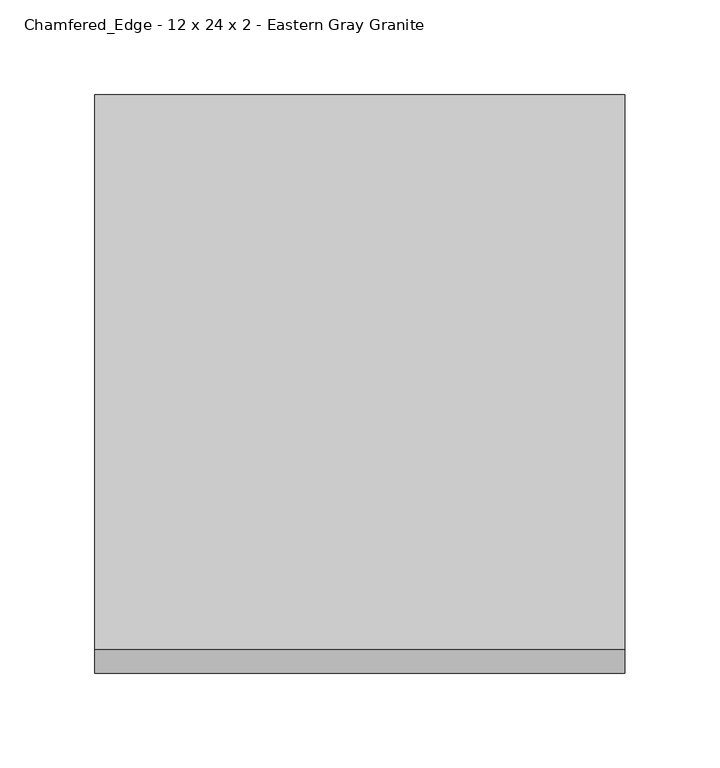
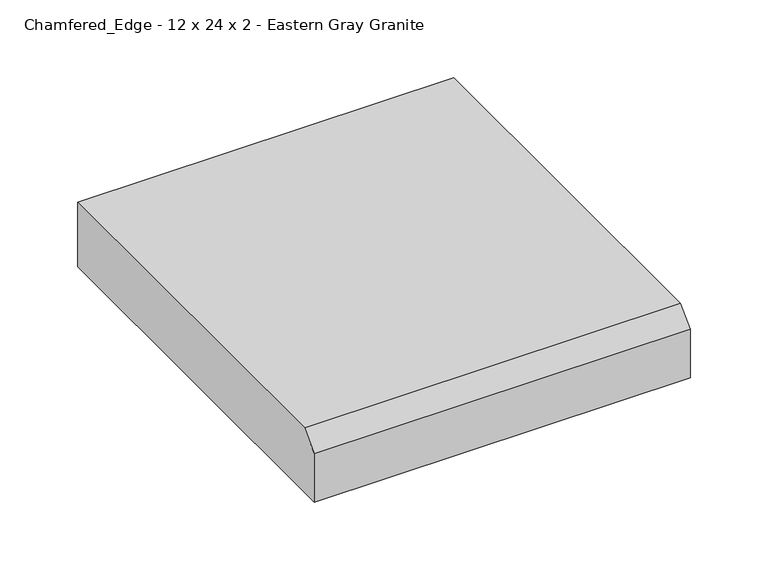
"""IFC4 building model written with IfcOpenShell, lengths in millimetres: proxy geometry, Chamfered_Edge - 12 x 24 x 2 - Eastern Gray Granite."""

from ifc_helpers import new_model, si_unit, frame, origin, place, context, project, spatial, polyline, outline, extrude, source, transform, mapped, element, save


def chamfered_edge_12_x_24_x_2_eastern_gray_granite_3eb65035(model_context):
    return source(origin(), model_context, "Body", "SweptSolid", [
        extrude(outline(polyline([(-304.8, 0.0), (-304.8, 38.1), (-292.1, 50.8), (0.0, 50.8), (0.0, 0.0), (-304.8, 0.0)])), frame((0.0, 0.0, 0.0), z_axis=(1.0, 0.0, 0.0), x_axis=(0.0, 1.0, 0.0)), (0.0, 0.0, 1.0), 279.4),
    ])


if __name__ == "__main__":
    model = new_model("IFC4")
    model_context = context("Model", 3, world=origin())
    ifc_project = project(units=[si_unit("LENGTHUNIT", "METRE", prefix="MILLI")], contexts=[model_context])
    site = spatial("IfcSite", under=ifc_project)
    building = spatial("IfcBuilding", under=site)
    placement = place(None, origin())
    chamfered_edge_12_x_24_x_2_eastern_gray_granite_shape = chamfered_edge_12_x_24_x_2_eastern_gray_granite_3eb65035(model_context)
    element("IfcBuildingElementProxy", 1, Name="Chamfered_Edge - 12 x 24 x 2 - Eastern Gray Granite", ObjectType="Chamfered_Edge - 12 x 24 x 2 - Eastern Gray Granite", at=placement, inside=building, context=model_context, shape_type="MappedRepresentation", body=[
        mapped(chamfered_edge_12_x_24_x_2_eastern_gray_granite_shape, transform((0.0, 0.0, 0.0), x_axis=(1.0, 0.0, 0.0), y_axis=(0.0, 1.0, 0.0), z_axis=(0.0, 0.0, 1.0))),
    ])
    save(model, "model.ifc")
